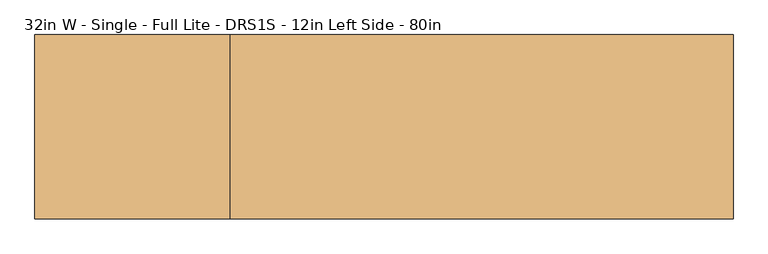
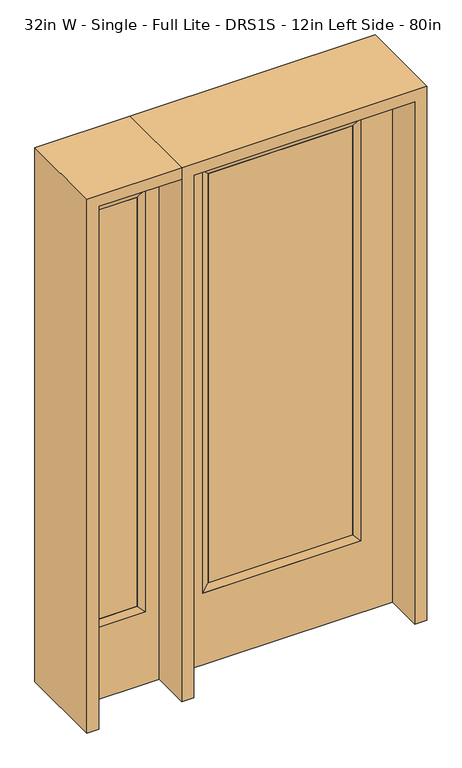
"""IFC4 building model written with IfcOpenShell, lengths in millimetres: door geometry, 32in W - Single - Full Lite - DRS1S - 12in Left Side - 80in."""

from ifc_helpers import new_model, si_unit, frame, origin, place, context, project, spatial, polyline, outline, extrude, faceted_brep, source, transform, mapped, element, save


def door_32in_w_single_full_lite_drs1s_12in_left_side_80in_4afbd090(model_context):
    return source(origin(), model_context, "Body", "SolidModel", [
        extrude(outline(polyline([(265.5824, -12.7039749), (-265.5824, -12.7039749), (-265.5824, 14.2875), (265.5824, 14.2875), (265.5824, -12.7039749)])), frame((0.0, 0.0, 304.8), z_axis=(0.0, 0.0, 1.0), x_axis=(1.0, 0.0, 0.0)), (0.0, 0.0, 1.0), 1591.1576),
        faceted_brep([(265.5824, 14.2875, 1895.9576), (290.9824, 22.225, 1921.3576), (290.9824, 22.225, 279.4), (265.5824, 14.2875, 304.8), (290.9824, -22.225, 1921.3576), (290.9824, -22.225, 279.4), (-290.9824, 22.225, 279.4), (-265.5824, 14.2875, 304.8), (265.5824, -12.7039749, 1895.9576), (265.5824, -12.7039749, 304.8), (-265.5824, -12.7039749, 304.8), (-290.9824, -22.225, 279.4), (-290.9824, 22.225, 1921.3576), (-265.5824, 14.2875, 1895.9576), (-265.5824, -12.7039749, 1895.9576), (-290.9824, -22.225, 1921.3576)], [[[0, 1, 2, 3]], [[1, 4, 5, 2]], [[3, 2, 6, 7]], [[8, 0, 3, 9]], [[9, 3, 7, 10]], [[4, 8, 9, 5]], [[5, 9, 10, 11]], [[2, 5, 11, 6]], [[7, 6, 12, 13]], [[10, 7, 13, 14]], [[11, 10, 14, 15]], [[6, 11, 15, 12]], [[13, 12, 1, 0]], [[14, 13, 0, 8]], [[15, 14, 8, 4]], [[12, 15, 4, 1]]]),
        extrude(outline(polyline([(0.0, -406.4), (0.0, 406.4), (2032.0, 406.4), (2032.0, -406.4), (0.0, -406.4)]), holes=[polyline([(279.4, -290.9824), (1921.3576, -290.9824), (1921.3576, 290.9824), (279.4, 290.9824), (279.4, -290.9824)])]), frame((0.0, -22.225, 0.0), z_axis=(0.0, 1.0, 0.0), x_axis=(0.0, 0.0, 1.0)), (0.0, 0.0, 1.0), 44.45),
        faceted_brep([(-501.65, 20.6375, 1920.875), (-501.65, -20.6375, 1920.875), (-501.65, -20.6375, 279.4), (-501.65, 20.6375, 279.4), (-527.05, -12.7, 1895.475), (-527.05, -12.7, 304.8), (-704.85, -20.6375, 279.4), (-704.85, 20.6375, 279.4), (-527.05, 12.7, 1895.475), (-527.05, 12.7, 304.8), (-679.45, 12.7, 304.8), (-679.45, -12.7, 304.8), (-704.85, -20.6375, 1920.875), (-704.85, 20.6375, 1920.875), (-679.45, 12.7, 1895.475), (-679.45, -12.7, 1895.475)], [[[0, 1, 2, 3]], [[1, 4, 5, 2]], [[3, 2, 6, 7]], [[8, 0, 3, 9]], [[9, 3, 7, 10]], [[4, 8, 9, 5]], [[5, 9, 10, 11]], [[2, 5, 11, 6]], [[7, 6, 12, 13]], [[10, 7, 13, 14]], [[11, 10, 14, 15]], [[6, 11, 15, 12]], [[13, 12, 1, 0]], [[14, 13, 0, 8]], [[15, 14, 8, 4]], [[12, 15, 4, 1]]]),
        extrude(outline(polyline([(0.0, -755.65), (0.0, -450.85), (2032.0, -450.85), (2032.0, -755.65), (0.0, -755.65)]), holes=[polyline([(1920.875, -501.65), (279.4, -501.65), (279.4, -704.85), (1920.875, -704.85), (1920.875, -501.65)])]), frame((0.0, -20.6375, 0.0), z_axis=(0.0, 1.0, 0.0), x_axis=(0.0, 0.0, 1.0)), (0.0, 0.0, 1.0), 41.275),
        extrude(outline(polyline([(-527.05, -12.7), (-679.45, -12.7), (-679.45, 12.7), (-527.05, 12.7), (-527.05, -12.7)])), frame((0.0, 0.0, 304.8), z_axis=(0.0, 0.0, 1.0), x_axis=(1.0, 0.0, 0.0)), (0.0, 0.0, 1.0), 1590.675),
        extrude(outline(polyline([(2032.0, -450.85), (2076.45, -450.85), (2076.45, -800.1), (0.0, -800.1), (0.0, -755.65), (2032.0, -755.65), (2032.0, -450.85)])), frame((0.0, -165.1, 0.0), z_axis=(0.0, 1.0, 0.0), x_axis=(0.0, 0.0, 1.0)), (0.0, 0.0, 1.0), 330.2),
        extrude(outline(polyline([(2076.45, -450.85), (0.0, -450.85), (0.0, -406.4), (2032.0, -406.4), (2032.0, 406.4), (0.0, 406.4), (0.0, 450.85), (2076.45, 450.85), (2076.45, -450.85)])), frame((0.0, -165.1, 0.0), z_axis=(0.0, 1.0, 0.0), x_axis=(0.0, 0.0, 1.0)), (0.0, 0.0, 1.0), 330.2),
    ])


if __name__ == "__main__":
    model = new_model("IFC4")
    model_context = context("Model", 3, world=origin())
    ifc_project = project(units=[si_unit("LENGTHUNIT", "METRE", prefix="MILLI")], contexts=[model_context])
    site = spatial("IfcSite", under=ifc_project)
    building = spatial("IfcBuilding", under=site)
    placement = place(None, origin())
    door_32in_w_single_full_lite_drs1s_12in_left_side_80in_shape = door_32in_w_single_full_lite_drs1s_12in_left_side_80in_4afbd090(model_context)
    element("IfcDoor", 1, ObjectType="32in W - Single - Full Lite - DRS1S - 12in Left Side - 80in", at=placement, inside=building, context=model_context, shape_type="MappedRepresentation", body=[
        mapped(door_32in_w_single_full_lite_drs1s_12in_left_side_80in_shape, transform((0.0, 0.0, 0.0), x_axis=(1.0, 0.0, 0.0), y_axis=(0.0, 1.0, 0.0), z_axis=(0.0, 0.0, 1.0))),
    ])
    save(model, "model.ifc")
